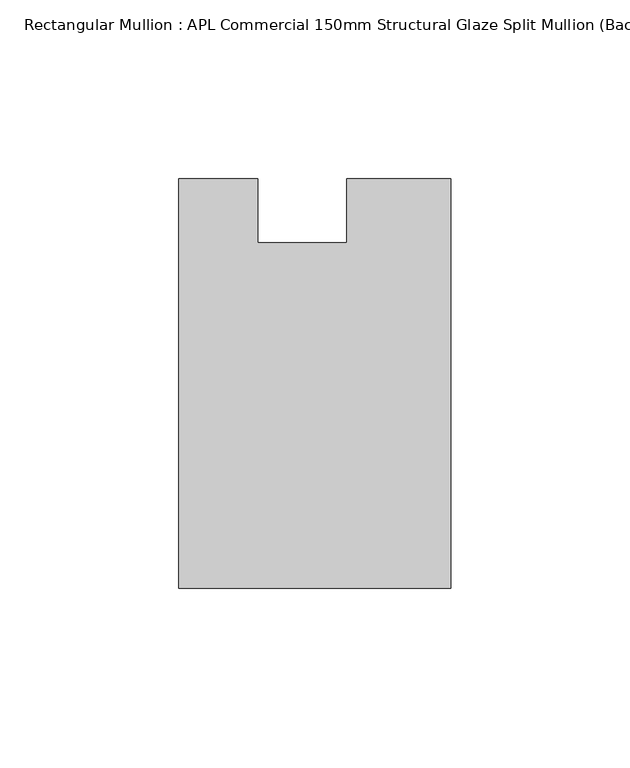
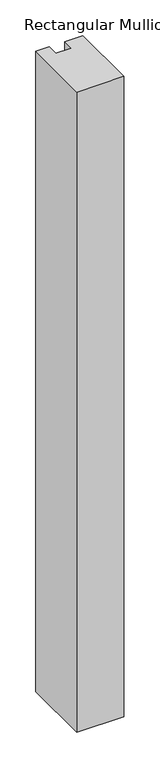
"""IFC4 building model written with IfcOpenShell, lengths in millimetres: member geometry, Rectangular Mullion : APL Commercial 150mm Structural Glaze Split Mullion (Back)."""

import ifcopenshell
import ifcopenshell.guid

model = None  # the IFC model being written
_history = None  # IfcOwnerHistory: only IFC2X3 demands one
_inside = {}  # id of a spatial element -> (the spatial element, [elements in it])
_under = {}  # id of a project, library or spatial element -> (it, [spatial elements below it])
_declared = {}  # id of a project -> (the project, [libraries it declares])
_typed = {}  # id of a type object -> (the type object, [elements of that type])
_made_of = {}  # id of a material, layer set ... -> (it, [elements and type objects made of it])


def new_model(schema):
    """Start an empty IFC model of exactly this schema.

    Asked for "IFC4X3", IfcOpenShell would pick the latest addendum, in which some entities
    have other attributes; the version numbers below select the first issue.
    IFC2X3 requires an IfcOwnerHistory on every rooted entity: one is made here for all.
    """
    global model, _history
    if schema == "IFC4X3":
        model = ifcopenshell.file(schema_version=(4, 3, 0, 0))
    else:
        model = ifcopenshell.file(schema=schema)
    _inside.clear()
    _under.clear()
    _declared.clear()
    _typed.clear()
    _made_of.clear()
    _history = None
    if model.schema == "IFC2X3":
        org = make("IfcOrganization", Name="unknown")
        user = make(
            "IfcPersonAndOrganization",
            ThePerson=make("IfcPerson", FamilyName="unknown"),
            TheOrganization=org,
        )
        app = make(
            "IfcApplication",
            ApplicationDeveloper=org,
            Version="unknown",
            ApplicationFullName="unknown",
            ApplicationIdentifier="unknown",
        )
        _history = make(
            "IfcOwnerHistory",
            OwningUser=user,
            OwningApplication=app,
            ChangeAction="ADDED",
            CreationDate=0,
        )
    return model


def make(cls, **values):
    """One entity of the class cls with the attributes given. An attribute that is None is left unset."""
    return model.create_entity(
        cls, **{name: value for name, value in values.items() if value is not None}
    )


def rooted(cls, **values):
    """An entity with a GlobalId (a new one), such as an element, a storey or a relation."""
    return make(cls, GlobalId=ifcopenshell.guid.new(), OwnerHistory=_history, **values)


def si_unit(unit_type, name, prefix=None):
    """IfcSIUnit, for example si_unit("LENGTHUNIT", "METRE", prefix="MILLI")."""
    return make("IfcSIUnit", UnitType=unit_type, Prefix=prefix, Name=name)


def assignment(units):
    """IfcUnitAssignment: the units of a project."""
    return None if units is None else make("IfcUnitAssignment", Units=units)


def point(xyz):
    """IfcCartesianPoint."""
    return None if xyz is None else make("IfcCartesianPoint", Coordinates=xyz)


def direction(xyz):
    """IfcDirection."""
    return None if xyz is None else make("IfcDirection", DirectionRatios=xyz)


def frame(location, z_axis=None, x_axis=None):
    """IfcAxis2Placement3D, a coordinate frame: its origin and axes. An axis left out is left unset."""
    return make(
        "IfcAxis2Placement3D",
        Location=point(location),
        Axis=direction(z_axis),
        RefDirection=direction(x_axis),
    )


def origin():
    """The frame at (0, 0, 0) with its axes left unset."""
    return frame((0.0, 0.0, 0.0))


def place(relative_to, where):
    """IfcLocalPlacement: puts the frame where relative to a parent placement (None: the world)."""
    return make(
        "IfcLocalPlacement", PlacementRelTo=relative_to, RelativePlacement=where
    )


def context(
    kind, dimensions, precision=None, world=None, true_north=None, identifier=None
):
    """IfcGeometricRepresentationContext, for example the 3D "Model" context."""
    return make(
        "IfcGeometricRepresentationContext",
        ContextIdentifier=identifier,
        ContextType=kind,
        CoordinateSpaceDimension=dimensions,
        Precision=precision,
        WorldCoordinateSystem=world,
        TrueNorth=true_north,
    )


def project(units=None, contexts=None):
    """IfcProject with its units and contexts."""
    return rooted(
        "IfcProject",
        Name="project",
        RepresentationContexts=contexts,
        UnitsInContext=assignment(units),
    )


def spatial(cls, under=None, at=None, **own):
    """A site, building, storey or space (cls), placed at a placement, below another one or the project."""
    s = rooted(cls, ObjectPlacement=at, **own)
    if under is not None:
        _under.setdefault(under.id(), (under, []))[1].append(s)
    return s


def polyline(points):
    """IfcPolyline through the points."""
    return make("IfcPolyline", Points=[point(p) for p in points])


def outline(outer, holes=None, kind="AREA"):
    """IfcArbitraryClosedProfileDef: a profile drawn as a closed curve; with holes, ...WithVoids."""
    if holes is None:
        return make("IfcArbitraryClosedProfileDef", ProfileType=kind, OuterCurve=outer)
    return make(
        "IfcArbitraryProfileDefWithVoids",
        ProfileType=kind,
        OuterCurve=outer,
        InnerCurves=holes,
    )


def extrude(swept, where, along, depth):
    """IfcExtrudedAreaSolid: the profile swept, set in the frame where, extruded along a direction by depth."""
    return make(
        "IfcExtrudedAreaSolid",
        SweptArea=swept,
        Position=where,
        ExtrudedDirection=direction(along),
        Depth=depth,
    )


def shape(context_of_items, identifier, shape_type, items):
    """IfcShapeRepresentation: the items that make up one representation, for example the "Body"."""
    return make(
        "IfcShapeRepresentation",
        ContextOfItems=context_of_items,
        RepresentationIdentifier=identifier,
        RepresentationType=shape_type,
        Items=items,
    )


def source(mapping_origin, context_of_items, identifier, shape_type, items):
    """IfcRepresentationMap: a shape defined once, which mapped items show again and again."""
    return make(
        "IfcRepresentationMap",
        MappingOrigin=mapping_origin,
        MappedRepresentation=shape(context_of_items, identifier, shape_type, items),
    )


def transform(
    local_origin,
    x_axis=None,
    y_axis=None,
    z_axis=None,
    scale=None,
    scale2=None,
    scale3=None,
    uniform=True,
):
    """IfcCartesianTransformationOperator3D, or its non-uniform kind. x_axis, y_axis, z_axis: its Axis1, 2, 3."""
    if uniform:
        return make(
            "IfcCartesianTransformationOperator3D",
            Axis1=direction(x_axis),
            Axis2=direction(y_axis),
            LocalOrigin=point(local_origin),
            Scale=scale,
            Axis3=direction(z_axis),
        )
    return make(
        "IfcCartesianTransformationOperator3DnonUniform",
        Axis1=direction(x_axis),
        Axis2=direction(y_axis),
        LocalOrigin=point(local_origin),
        Scale=scale,
        Axis3=direction(z_axis),
        Scale2=scale2,
        Scale3=scale3,
    )


def mapped(mapping_source, mapping_target):
    """IfcMappedItem: shows the shape of a source again, moved by a transform."""
    return make(
        "IfcMappedItem", MappingSource=mapping_source, MappingTarget=mapping_target
    )


def made_of(thing, what):
    """Note that an element or type object is made of a material, layer set ...; save() writes the relation."""
    if what is not None:
        _made_of.setdefault(what.id(), (what, []))[1].append(thing)
    return thing


def element(
    cls,
    number,
    at=None,
    inside=None,
    cuts=None,
    type_object=None,
    material=None,
    context=None,
    identifier="Body",
    shape_type=None,
    held_by="IfcProductDefinitionShape",
    body=None,
    shapes=None,
    **own,
):
    """One element of the class cls, such as IfcWall. Its Tag is "e" and its number.

    at: its placement. inside: the storey or other place that contains it. cuts: it is an
    opening in that element (IfcRelVoidsElement). A single representation is given by context,
    identifier, shape_type and body (its items); several are given by shapes. held_by: the class
    of the entity that holds the representations. save() writes the other relations.
    """
    e = rooted(cls, Tag="e%d" % number, ObjectPlacement=at, **own)
    if body is not None:
        shapes = [shape(context, identifier, shape_type, body)]
    if shapes is not None:
        e.Representation = make(held_by, Representations=shapes)
    if inside is not None:
        _inside.setdefault(inside.id(), (inside, []))[1].append(e)
    if cuts is not None:
        rooted(
            "IfcRelVoidsElement", RelatingBuildingElement=cuts, RelatedOpeningElement=e
        )
    if type_object is not None:
        _typed.setdefault(type_object.id(), (type_object, []))[1].append(e)
    return made_of(e, material)


def aggregate(whole, parts):
    """IfcRelAggregates: a whole, such as a stair, and the parts it consists of."""
    return rooted("IfcRelAggregates", RelatingObject=whole, RelatedObjects=parts)


def save(model, path):
    """Write the relations noted so far, then the file.

    IfcRelAggregates (storeys below a building ...), IfcRelContainedInSpatialStructure (elements
    in a storey), IfcRelDefinesByType, IfcRelAssociatesMaterial and IfcRelDeclares: one each for
    every whole, place, type object, material and project.
    """
    for whole, parts in _under.values():
        aggregate(whole, parts)
    for where, things in _inside.values():
        rooted(
            "IfcRelContainedInSpatialStructure",
            RelatedElements=things,
            RelatingStructure=where,
        )
    for kind, things in _typed.values():
        rooted("IfcRelDefinesByType", RelatedObjects=things, RelatingType=kind)
    for what, things in _made_of.values():
        rooted("IfcRelAssociatesMaterial", RelatedObjects=things, RelatingMaterial=what)
    for by, libraries in _declared.values():
        rooted("IfcRelDeclares", RelatingContext=by, RelatedDefinitions=libraries)
    model.write(path)


def rectangular_mullion_apl_commercial_150mm_structural_glaze_954a6def(model_context):
    return source(origin(), model_context, "Body", "SweptSolid", [
        extrude(outline(polyline([(37.9999914, -129.5195626), (-37.9999896, -129.5195626), (-37.9999896, -14.9960123), (-16.0, -14.9960123), (-16.0, -32.7960123), (9.0, -32.7960123), (9.0, -14.9960123), (37.9999914, -14.9960123), (37.9999914, -129.5195626)])), frame((0.0, 0.0, -1092.5024995), z_axis=(0.0, 0.0, 1.0), x_axis=(1.0, 0.0, 0.0)), (0.0, 0.0, 1.0), 1092.5024995),
    ])


if __name__ == "__main__":
    model = new_model("IFC4")
    model_context = context("Model", 3, world=origin())
    ifc_project = project(units=[si_unit("LENGTHUNIT", "METRE", prefix="MILLI")], contexts=[model_context])
    site = spatial("IfcSite", under=ifc_project)
    building = spatial("IfcBuilding", under=site)
    placement = place(None, origin())
    rectangular_mullion_apl_commercial_150mm_structural_glaze_shape = rectangular_mullion_apl_commercial_150mm_structural_glaze_954a6def(model_context)
    element("IfcMember", 1, ObjectType="Rectangular Mullion : APL Commercial 150mm Structural Glaze Split Mullion (Back)", at=placement, inside=building, context=model_context, shape_type="MappedRepresentation", body=[
        mapped(rectangular_mullion_apl_commercial_150mm_structural_glaze_shape, transform((0.0, 0.0, 0.0), x_axis=(1.0, 0.0, 0.0), y_axis=(0.0, 1.0, 0.0), z_axis=(0.0, 0.0, 1.0))),
    ])
    save(model, "model.ifc")
